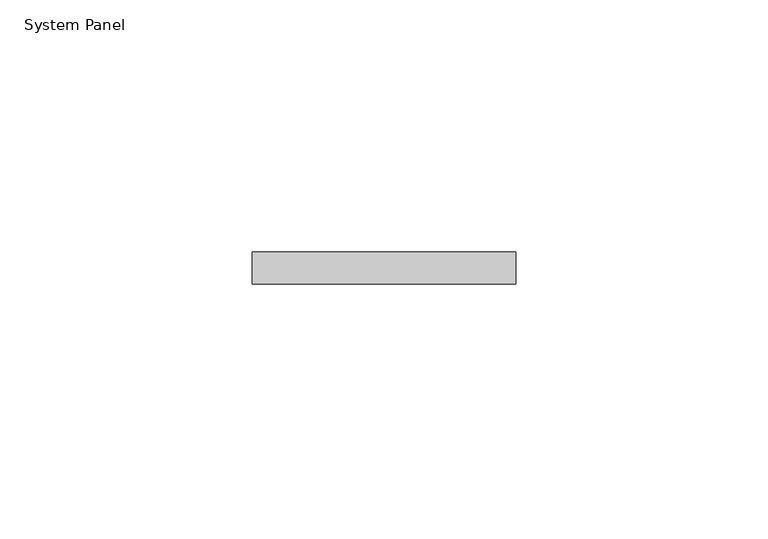
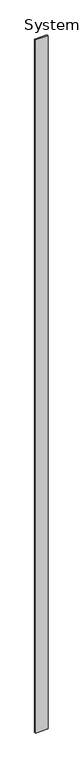
"""IFC4 building model written with IfcOpenShell, lengths in millimetres: plate geometry, System Panel."""

from ifc_helpers import new_model, si_unit, origin, origin_with_axes, place, context, project, spatial, polyline, outline, extrude, source, transform, mapped, element, save


def system_panel_46909724(model_context):
    return source(origin(), model_context, "Body", "SweptSolid", [
        extrude(outline(polyline([(26.1358645, -6.35), (-26.1358645, -6.35), (-26.1358645, 0.0), (26.1358645, 0.0), (26.1358645, -6.35)])), origin_with_axes(), (0.0, 0.0, 1.0), 3048.0),
    ])


if __name__ == "__main__":
    model = new_model("IFC4")
    model_context = context("Model", 3, world=origin())
    ifc_project = project(units=[si_unit("LENGTHUNIT", "METRE", prefix="MILLI")], contexts=[model_context])
    site = spatial("IfcSite", under=ifc_project)
    building = spatial("IfcBuilding", under=site)
    placement = place(None, origin())
    system_panel_shape = system_panel_46909724(model_context)
    element("IfcPlate", 1, ObjectType="System Panel", at=placement, inside=building, context=model_context, shape_type="MappedRepresentation", body=[
        mapped(system_panel_shape, transform((0.0, 0.0, 0.0), x_axis=(1.0, 0.0, 0.0), y_axis=(0.0, 1.0, 0.0), z_axis=(0.0, 0.0, 1.0))),
    ])
    save(model, "model.ifc")
